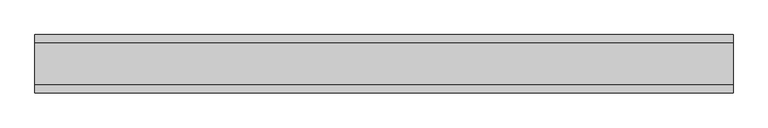
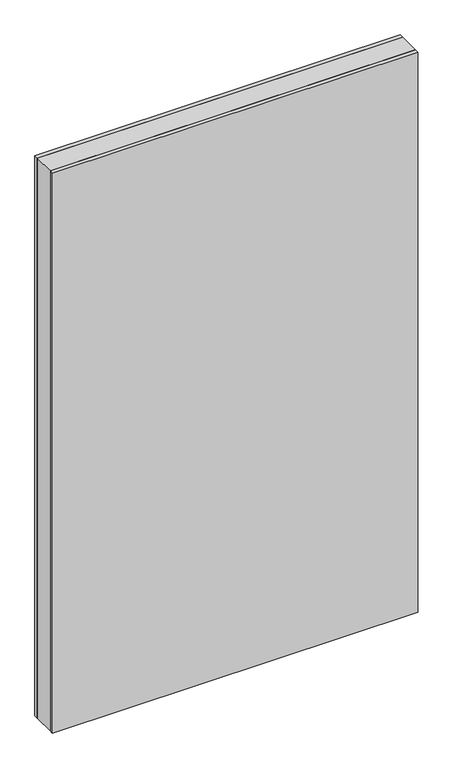
"""IFC4 building model written with IfcOpenShell, lengths in millimetres: plate geometry."""

from ifc_helpers import new_model, si_unit, origin, origin_with_axes, place, context, project, spatial, polyline, outline, extrude, source, transform, mapped, element, save


def plate_a3a6e671(model_context):
    return source(origin(), model_context, "Body", "SweptSolid", [
        extrude(outline(polyline([(599.6000002, 36.0), (599.6000002, -36.0), (-599.6000002, -36.0), (-599.6000002, 36.0), (599.6000002, 36.0)])), origin_with_axes(), (0.0, 0.0, 1.0), 1943.6971514),
        extrude(outline(polyline([(599.6000002, 50.0), (599.6000002, 36.0), (-599.6000002, 36.0), (-599.6000002, 50.0), (599.6000002, 50.0)])), origin_with_axes(), (0.0, 0.0, 1.0), 1943.6971514),
        extrude(outline(polyline([(599.6000002, -36.0), (599.6000002, -50.0), (-599.6000002, -50.0), (-599.6000002, -36.0), (599.6000002, -36.0)])), origin_with_axes(), (0.0, 0.0, 1.0), 1943.6971514),
    ])


if __name__ == "__main__":
    model = new_model("IFC4")
    model_context = context("Model", 3, world=origin())
    ifc_project = project(units=[si_unit("LENGTHUNIT", "METRE", prefix="MILLI")], contexts=[model_context])
    site = spatial("IfcSite", under=ifc_project)
    building = spatial("IfcBuilding", under=site)
    placement = place(None, origin())
    plate_shape = plate_a3a6e671(model_context)
    element("IfcPlate", 1, at=placement, inside=building, context=model_context, shape_type="MappedRepresentation", body=[
        mapped(plate_shape, transform((0.0, 0.0, 0.0), x_axis=(1.0, 0.0, 0.0), y_axis=(0.0, 1.0, 0.0), z_axis=(0.0, 0.0, 1.0))),
    ])
    save(model, "model.ifc")
